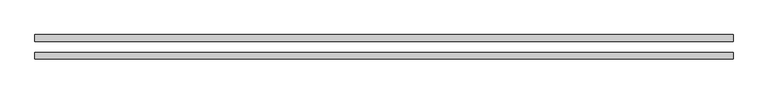
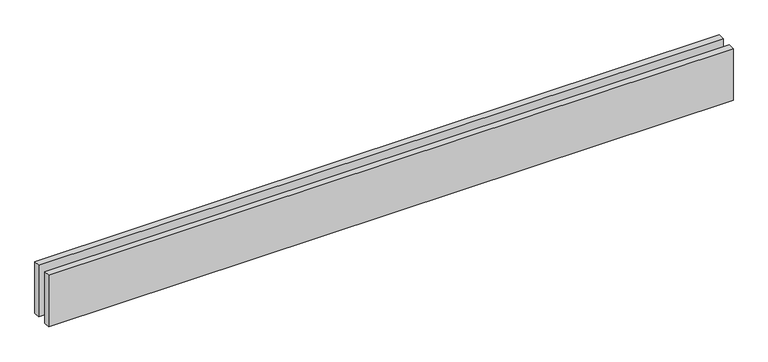
"""IFC4 building model written with IfcOpenShell, lengths in millimetres: proxy geometry."""

from ifc_helpers import new_model, si_unit, origin, origin_with_axes, place, context, project, spatial, polyline, outline, extrude, source, transform, mapped, element, save


def generic_models_64c563a0(model_context):
    return source(origin(), model_context, "Body", "SweptSolid", [
        extrude(outline(polyline([(3135.0, 25.0), (0.0, 25.0), (0.0, 55.0), (3135.0, 55.0), (3135.0, 25.0)])), origin_with_axes(), (0.0, 0.0, 1.0), 250.0),
        extrude(outline(polyline([(3135.0, -55.0), (0.0, -55.0), (0.0, -25.0), (3135.0, -25.0), (3135.0, -55.0)])), origin_with_axes(), (0.0, 0.0, 1.0), 250.0),
    ])


if __name__ == "__main__":
    model = new_model("IFC4")
    model_context = context("Model", 3, world=origin())
    ifc_project = project(units=[si_unit("LENGTHUNIT", "METRE", prefix="MILLI")], contexts=[model_context])
    site = spatial("IfcSite", under=ifc_project)
    building = spatial("IfcBuilding", under=site)
    placement = place(None, origin())
    generic_models_shape = generic_models_64c563a0(model_context)
    element("IfcBuildingElementProxy", 1, Name="Generic Models", at=placement, inside=building, context=model_context, shape_type="MappedRepresentation", body=[
        mapped(generic_models_shape, transform((0.0, 0.0, 0.0), x_axis=(1.0, 0.0, 0.0), y_axis=(0.0, 1.0, 0.0), z_axis=(0.0, 0.0, 1.0))),
    ])
    save(model, "model.ifc")
